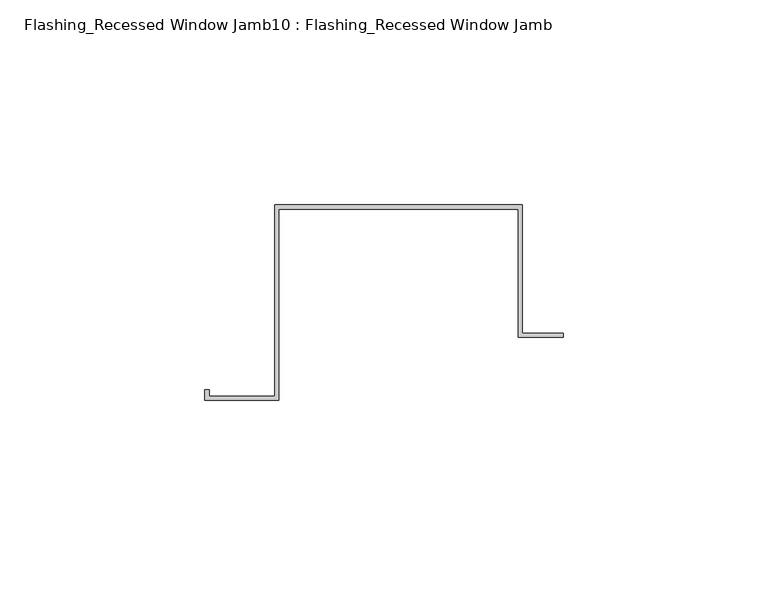
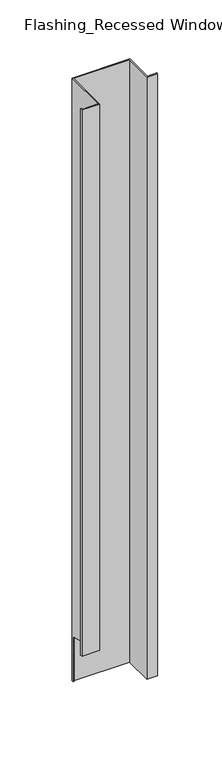
"""IFC4 building model written with IfcOpenShell, lengths in millimetres: proxy geometry, Flashing_Recessed Window Jamb10 : Flashing_Recessed Window Jamb."""

from ifc_helpers import new_model, si_unit, origin, place, context, project, spatial, faceted_brep, source, transform, mapped, element, save


def flashing_recessed_window_jamb10_flashing_recessed_window_4d851fca(model_context):
    return source(origin(), model_context, "Body", "Brep", [
        faceted_brep([(12286.8470781, 5627.4023812, -277.6721404), (12286.8470781, 5658.7344915, -277.6721404), (12226.4791786, 5658.7344915, -277.6721404), (12226.4791786, 5612.0490096, -277.6721404), (12210.4479286, 5612.0490096, -277.6721404), (12210.4479286, 5613.5934881, -277.6721404), (12209.4479286, 5613.5934881, -277.6721404), (12209.4479286, 5611.0490096, -277.6721404), (12227.4791786, 5611.0490096, -277.6721404), (12227.4791786, 5657.7344915, -277.6721404), (12285.8470781, 5657.7344915, -277.6721404), (12285.8470781, 5626.4023812, -277.6721404), (12296.8470781, 5626.4023812, -277.6721404), (12296.8470781, 5627.4023812, -277.6721404), (12285.8470781, 5626.4023812, -938.2016371), (12285.8470781, 5657.7344915, -938.2016371), (12227.4791786, 5657.7344915, -938.2016371), (12227.4791786, 5656.8026399, -938.2016371), (12226.4791786, 5656.8026399, -938.2016371), (12226.4791786, 5658.7344915, -938.2016371), (12286.8470781, 5658.7344915, -938.2016371), (12286.8470781, 5627.4023812, -938.2016371), (12296.8470781, 5627.4023812, -938.2016371), (12296.8470781, 5626.4023812, -938.2016371), (12226.4791786, 5656.8026399, -888.7682442), (12226.4791786, 5612.0490096, -876.7765451), (12210.4479286, 5612.0490096, -876.7765451), (12210.4479286, 5613.5934881, -877.1903869), (12209.4479286, 5613.5934881, -877.1903869), (12209.4479286, 5611.0490096, -876.5085959), (12227.4791786, 5611.0490096, -876.5085959), (12227.4791786, 5656.8026399, -888.7682442)], [[[0, 1, 2, 3, 4, 5, 6, 7, 8, 9, 10, 11, 12, 13]], [[14, 15, 16, 17, 18, 19, 20, 21, 22, 23]], [[1, 0, 21, 20]], [[2, 1, 20, 19]], [[3, 2, 19, 18, 24, 25]], [[4, 3, 25, 26]], [[5, 4, 26, 27]], [[6, 5, 27, 28]], [[7, 6, 28, 29]], [[8, 7, 29, 30]], [[9, 8, 30, 31, 17, 16]], [[10, 9, 16, 15]], [[11, 10, 15, 14]], [[12, 11, 14, 23]], [[13, 12, 23, 22]], [[0, 13, 22, 21]], [[24, 31, 30, 29, 28, 27, 26, 25]], [[31, 24, 18, 17]]]),
    ])


if __name__ == "__main__":
    model = new_model("IFC4")
    model_context = context("Model", 3, world=origin())
    ifc_project = project(units=[si_unit("LENGTHUNIT", "METRE", prefix="MILLI")], contexts=[model_context])
    site = spatial("IfcSite", under=ifc_project)
    building = spatial("IfcBuilding", under=site)
    placement = place(None, origin())
    flashing_recessed_window_jamb10_flashing_recessed_window_shape = flashing_recessed_window_jamb10_flashing_recessed_window_4d851fca(model_context)
    element("IfcBuildingElementProxy", 1, Name="Flashing_Recessed Window Jamb10 : Flashing_Recessed Window Jamb", ObjectType="Flashing_Recessed Window Jamb10 : Flashing_Recessed Window Jamb", at=placement, inside=building, context=model_context, shape_type="MappedRepresentation", body=[
        mapped(flashing_recessed_window_jamb10_flashing_recessed_window_shape, transform((0.0, 0.0, 0.0), x_axis=(1.0, 0.0, 0.0), y_axis=(0.0, 1.0, 0.0), z_axis=(0.0, 0.0, 1.0))),
    ])
    save(model, "model.ifc")
